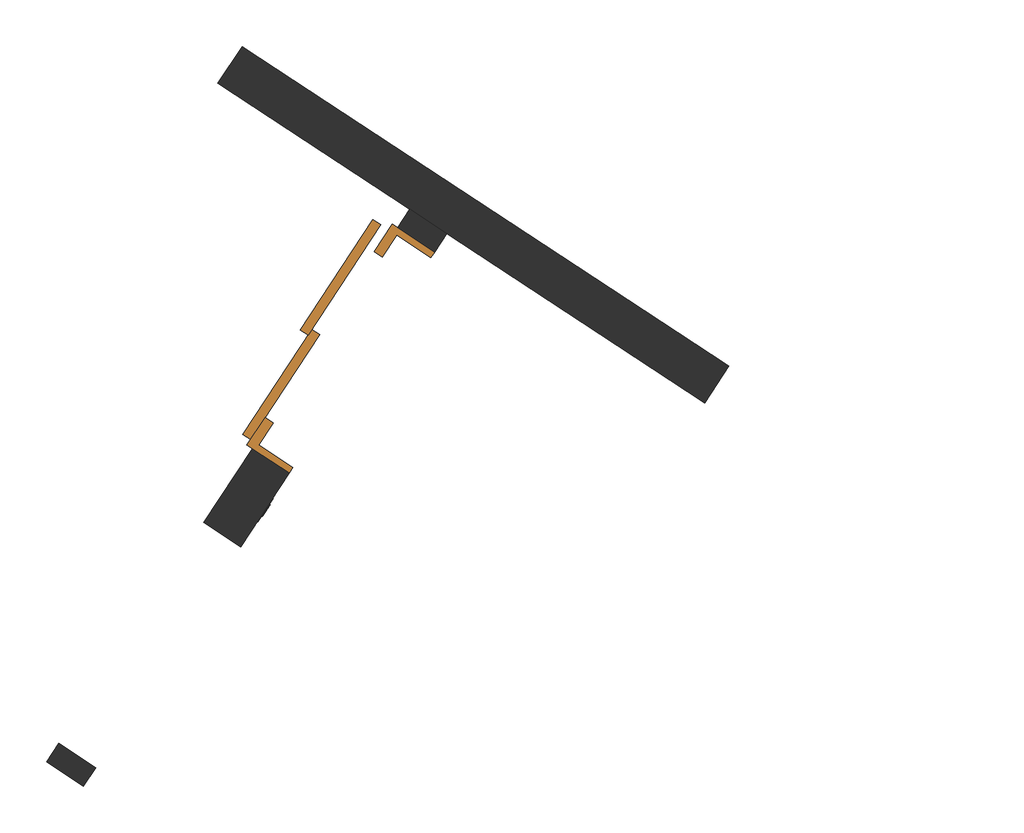
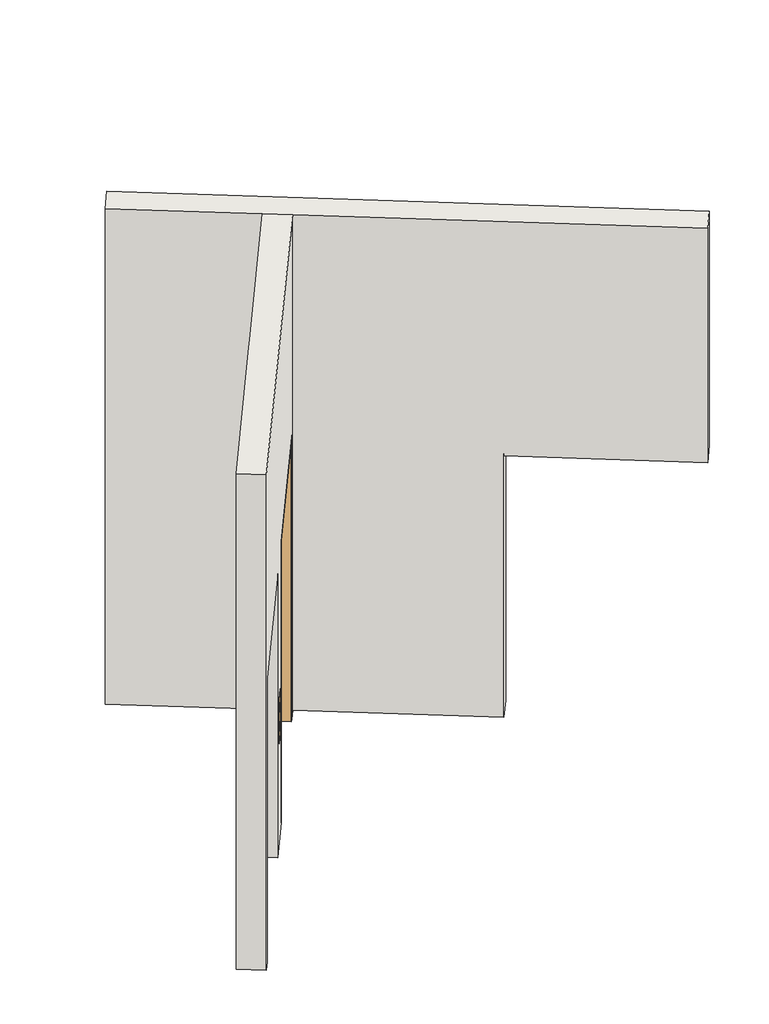
# One storey, part 16 of 18: 2 walls, 1 door.
"""IFC4 building model written with IfcOpenShell, lengths in millimetres."""

import ifcopenshell
import ifcopenshell.guid

model = None  # the IFC model being written
_history = None  # IfcOwnerHistory: only IFC2X3 demands one
_inside = {}  # id of a spatial element -> (the spatial element, [elements in it])
_under = {}  # id of a project, library or spatial element -> (it, [spatial elements below it])
_declared = {}  # id of a project -> (the project, [libraries it declares])
_typed = {}  # id of a type object -> (the type object, [elements of that type])
_made_of = {}  # id of a material, layer set ... -> (it, [elements and type objects made of it])


def new_model(schema):
    """Start an empty IFC model of exactly this schema.

    Asked for "IFC4X3", IfcOpenShell would pick the latest addendum, in which some entities
    have other attributes; the version numbers below select the first issue.
    IFC2X3 requires an IfcOwnerHistory on every rooted entity: one is made here for all.
    """
    global model, _history
    if schema == "IFC4X3":
        model = ifcopenshell.file(schema_version=(4, 3, 0, 0))
    else:
        model = ifcopenshell.file(schema=schema)
    _inside.clear()
    _under.clear()
    _declared.clear()
    _typed.clear()
    _made_of.clear()
    _history = None
    if model.schema == "IFC2X3":
        org = make("IfcOrganization", Name="unknown")
        user = make(
            "IfcPersonAndOrganization",
            ThePerson=make("IfcPerson", FamilyName="unknown"),
            TheOrganization=org,
        )
        app = make(
            "IfcApplication",
            ApplicationDeveloper=org,
            Version="unknown",
            ApplicationFullName="unknown",
            ApplicationIdentifier="unknown",
        )
        _history = make(
            "IfcOwnerHistory",
            OwningUser=user,
            OwningApplication=app,
            ChangeAction="ADDED",
            CreationDate=0,
        )
    return model


def make(cls, **values):
    """One entity of the class cls with the attributes given. An attribute that is None is left unset."""
    return model.create_entity(
        cls, **{name: value for name, value in values.items() if value is not None}
    )


def rooted(cls, **values):
    """An entity with a GlobalId (a new one), such as an element, a storey or a relation."""
    return make(cls, GlobalId=ifcopenshell.guid.new(), OwnerHistory=_history, **values)


def si_unit(unit_type, name, prefix=None):
    """IfcSIUnit, for example si_unit("LENGTHUNIT", "METRE", prefix="MILLI")."""
    return make("IfcSIUnit", UnitType=unit_type, Prefix=prefix, Name=name)


def assignment(units):
    """IfcUnitAssignment: the units of a project."""
    return None if units is None else make("IfcUnitAssignment", Units=units)


def point(xyz):
    """IfcCartesianPoint."""
    return None if xyz is None else make("IfcCartesianPoint", Coordinates=xyz)


def direction(xyz):
    """IfcDirection."""
    return None if xyz is None else make("IfcDirection", DirectionRatios=xyz)


def frame(location, z_axis=None, x_axis=None):
    """IfcAxis2Placement3D, a coordinate frame: its origin and axes. An axis left out is left unset."""
    return make(
        "IfcAxis2Placement3D",
        Location=point(location),
        Axis=direction(z_axis),
        RefDirection=direction(x_axis),
    )


def frame_2d(location, x_axis=None):
    """IfcAxis2Placement2D, a coordinate frame in the plane: its origin and x axis."""
    return make(
        "IfcAxis2Placement2D", Location=point(location), RefDirection=direction(x_axis)
    )


def origin():
    """The frame at (0, 0, 0) with its axes left unset."""
    return frame((0.0, 0.0, 0.0))


def origin_with_axes():
    """The frame at (0, 0, 0) with the z axis (0, 0, 1) and the x axis (1, 0, 0) written out."""
    return frame((0.0, 0.0, 0.0), z_axis=(0.0, 0.0, 1.0), x_axis=(1.0, 0.0, 0.0))


def place(relative_to, where):
    """IfcLocalPlacement: puts the frame where relative to a parent placement (None: the world)."""
    return make(
        "IfcLocalPlacement", PlacementRelTo=relative_to, RelativePlacement=where
    )


def context(
    kind, dimensions, precision=None, world=None, true_north=None, identifier=None
):
    """IfcGeometricRepresentationContext, for example the 3D "Model" context."""
    return make(
        "IfcGeometricRepresentationContext",
        ContextIdentifier=identifier,
        ContextType=kind,
        CoordinateSpaceDimension=dimensions,
        Precision=precision,
        WorldCoordinateSystem=world,
        TrueNorth=true_north,
    )


def project(units=None, contexts=None):
    """IfcProject with its units and contexts."""
    return rooted(
        "IfcProject",
        Name="project",
        RepresentationContexts=contexts,
        UnitsInContext=assignment(units),
    )


def spatial(cls, under=None, at=None, **own):
    """A site, building, storey or space (cls), placed at a placement, below another one or the project."""
    s = rooted(cls, ObjectPlacement=at, **own)
    if under is not None:
        _under.setdefault(under.id(), (under, []))[1].append(s)
    return s


def polyline(points):
    """IfcPolyline through the points."""
    return make("IfcPolyline", Points=[point(p) for p in points])


def circle_curve(where, radius):
    """IfcCircle in the frame where."""
    return make("IfcCircle", Position=where, Radius=radius)


def trimmed(basis, trim1, trim2, sense, master):
    """IfcTrimmedCurve: the piece of a basis curve between two trims."""
    return make(
        "IfcTrimmedCurve",
        BasisCurve=basis,
        Trim1=trim1,
        Trim2=trim2,
        SenseAgreement=sense,
        MasterRepresentation=master,
    )


def segment(curve, same_sense, transition):
    """IfcCompositeCurveSegment."""
    return make(
        "IfcCompositeCurveSegment",
        Transition=transition,
        SameSense=same_sense,
        ParentCurve=curve,
    )


def composite_curve(segments, self_intersect=None):
    """IfcCompositeCurve: segments joined end to end."""
    return make("IfcCompositeCurve", Segments=segments, SelfIntersect=self_intersect)


def outline(outer, holes=None, kind="AREA"):
    """IfcArbitraryClosedProfileDef: a profile drawn as a closed curve; with holes, ...WithVoids."""
    if holes is None:
        return make("IfcArbitraryClosedProfileDef", ProfileType=kind, OuterCurve=outer)
    return make(
        "IfcArbitraryProfileDefWithVoids",
        ProfileType=kind,
        OuterCurve=outer,
        InnerCurves=holes,
    )


def extrude(swept, where, along, depth):
    """IfcExtrudedAreaSolid: the profile swept, set in the frame where, extruded along a direction by depth."""
    return make(
        "IfcExtrudedAreaSolid",
        SweptArea=swept,
        Position=where,
        ExtrudedDirection=direction(along),
        Depth=depth,
    )


def faces_of(points, faces, orient=None, outer=None):
    """IfcFace entities. A face is a list of loops; a loop is a list of indices into points, from 0.

    orient and outer hold one flag for each loop. By default every Orientation is true, the
    first loop of a face is its IfcFaceOuterBound and the others are IfcFaceBound.
    """
    made = []
    for i, loops in enumerate(faces):
        bounds = []
        for j, loop in enumerate(loops):
            is_outer = j == 0 if outer is None else outer[i][j]
            bounds.append(
                make(
                    "IfcFaceOuterBound" if is_outer else "IfcFaceBound",
                    Bound=make("IfcPolyLoop", Polygon=[points[k] for k in loop]),
                    Orientation=True if orient is None else orient[i][j],
                )
            )
        made.append(make("IfcFace", Bounds=bounds))
    return made


def faceted_brep(points, faces, orient=None, outer=None, voids=None):
    """IfcFacetedBrep: a solid bounded by flat faces; with voids (closed shells), ...WithVoids."""
    shared = [point(p) for p in points]
    hull = make("IfcClosedShell", CfsFaces=faces_of(shared, faces, orient, outer))
    if voids is None:
        return make("IfcFacetedBrep", Outer=hull)
    return make(
        "IfcFacetedBrepWithVoids",
        Outer=hull,
        Voids=[
            make(cls, CfsFaces=faces_of(shared, fs, o, b)) for cls, fs, o, b in voids
        ],
    )


def shape(context_of_items, identifier, shape_type, items):
    """IfcShapeRepresentation: the items that make up one representation, for example the "Body"."""
    return make(
        "IfcShapeRepresentation",
        ContextOfItems=context_of_items,
        RepresentationIdentifier=identifier,
        RepresentationType=shape_type,
        Items=items,
    )


def source(mapping_origin, context_of_items, identifier, shape_type, items):
    """IfcRepresentationMap: a shape defined once, which mapped items show again and again."""
    return make(
        "IfcRepresentationMap",
        MappingOrigin=mapping_origin,
        MappedRepresentation=shape(context_of_items, identifier, shape_type, items),
    )


def transform(
    local_origin,
    x_axis=None,
    y_axis=None,
    z_axis=None,
    scale=None,
    scale2=None,
    scale3=None,
    uniform=True,
):
    """IfcCartesianTransformationOperator3D, or its non-uniform kind. x_axis, y_axis, z_axis: its Axis1, 2, 3."""
    if uniform:
        return make(
            "IfcCartesianTransformationOperator3D",
            Axis1=direction(x_axis),
            Axis2=direction(y_axis),
            LocalOrigin=point(local_origin),
            Scale=scale,
            Axis3=direction(z_axis),
        )
    return make(
        "IfcCartesianTransformationOperator3DnonUniform",
        Axis1=direction(x_axis),
        Axis2=direction(y_axis),
        LocalOrigin=point(local_origin),
        Scale=scale,
        Axis3=direction(z_axis),
        Scale2=scale2,
        Scale3=scale3,
    )


def mapped(mapping_source, mapping_target):
    """IfcMappedItem: shows the shape of a source again, moved by a transform."""
    return make(
        "IfcMappedItem", MappingSource=mapping_source, MappingTarget=mapping_target
    )


def made_of(thing, what):
    """Note that an element or type object is made of a material, layer set ...; save() writes the relation."""
    if what is not None:
        _made_of.setdefault(what.id(), (what, []))[1].append(thing)
    return thing


def element(
    cls,
    number,
    at=None,
    inside=None,
    cuts=None,
    type_object=None,
    material=None,
    context=None,
    identifier="Body",
    shape_type=None,
    held_by="IfcProductDefinitionShape",
    body=None,
    shapes=None,
    **own,
):
    """One element of the class cls, such as IfcWall. Its Tag is "e" and its number.

    at: its placement. inside: the storey or other place that contains it. cuts: it is an
    opening in that element (IfcRelVoidsElement). A single representation is given by context,
    identifier, shape_type and body (its items); several are given by shapes. held_by: the class
    of the entity that holds the representations. save() writes the other relations.
    """
    e = rooted(cls, Tag="e%d" % number, ObjectPlacement=at, **own)
    if body is not None:
        shapes = [shape(context, identifier, shape_type, body)]
    if shapes is not None:
        e.Representation = make(held_by, Representations=shapes)
    if inside is not None:
        _inside.setdefault(inside.id(), (inside, []))[1].append(e)
    if cuts is not None:
        rooted(
            "IfcRelVoidsElement", RelatingBuildingElement=cuts, RelatedOpeningElement=e
        )
    if type_object is not None:
        _typed.setdefault(type_object.id(), (type_object, []))[1].append(e)
    return made_of(e, material)


def aggregate(whole, parts):
    """IfcRelAggregates: a whole, such as a stair, and the parts it consists of."""
    return rooted("IfcRelAggregates", RelatingObject=whole, RelatedObjects=parts)


def save(model, path):
    """Write the relations noted so far, then the file.

    IfcRelAggregates (storeys below a building ...), IfcRelContainedInSpatialStructure (elements
    in a storey), IfcRelDefinesByType, IfcRelAssociatesMaterial and IfcRelDeclares: one each for
    every whole, place, type object, material and project.
    """
    for whole, parts in _under.values():
        aggregate(whole, parts)
    for where, things in _inside.values():
        rooted(
            "IfcRelContainedInSpatialStructure",
            RelatedElements=things,
            RelatingStructure=where,
        )
    for kind, things in _typed.values():
        rooted("IfcRelDefinesByType", RelatedObjects=things, RelatingType=kind)
    for what, things in _made_of.values():
        rooted("IfcRelAssociatesMaterial", RelatedObjects=things, RelatingMaterial=what)
    for by, libraries in _declared.values():
        rooted("IfcRelDeclares", RelatingContext=by, RelatedDefinitions=libraries)
    model.write(path)


def plane_surface(at):
    """IfcPlane: the flat surface through the origin of the frame at, square to its z axis."""
    return make("IfcPlane", Position=at)


def cylinder_surface(at, radius):
    """IfcCylindricalSurface: all points at the distance radius from the z axis of the frame at."""
    return make("IfcCylindricalSurface", Position=at, Radius=radius)


def revolved_surface(curve, axis_point, axis_direction):
    """IfcSurfaceOfRevolution: the curve turned about the line through axis_point along axis_direction."""
    return make(
        "IfcSurfaceOfRevolution",
        SweptCurve=make("IfcArbitraryOpenProfileDef", ProfileType="CURVE", Curve=curve),
        AxisPosition=make("IfcAxis1Placement", Location=point(axis_point), Axis=direction(axis_direction)),
    )


def advanced_brep(points, edges, surfaces, faces):
    """IfcAdvancedBrep: a solid bounded by faces that lie on surfaces and meet in shared edges.

    An edge is (start, end): straight between two places in points (the first is 0);
    or (start, end, curve); or (start, end, curve, False) where it runs against its curve.
    A face is (place in surfaces, loops), or (place, loops, False) where it looks against
    its surface's normal. A loop lists edges by number (the first is 1), with a minus sign
    where the edge is run from its end to its start. The first loop is the outer one.
    """
    corners = [point(p) for p in points]
    vertices = [make("IfcVertexPoint", VertexGeometry=c) for c in corners]
    made = []
    for start, end, *more in edges:
        made.append(
            make(
                "IfcEdgeCurve",
                EdgeStart=vertices[start],
                EdgeEnd=vertices[end],
                EdgeGeometry=more[0] if more else make("IfcPolyline", Points=[corners[start], corners[end]]),
                SameSense=more[1] if len(more) > 1 else True,
            )
        )
    hull = []
    for where, loops, *sense in faces:
        bounds = []
        for j, loop in enumerate(loops):
            ring = [make("IfcOrientedEdge", EdgeElement=made[abs(k) - 1], Orientation=k > 0) for k in loop]
            bounds.append(
                make(
                    "IfcFaceOuterBound" if j == 0 else "IfcFaceBound",
                    Bound=make("IfcEdgeLoop", EdgeList=ring),
                    Orientation=True,
                )
            )
        hull.append(make("IfcAdvancedFace", Bounds=bounds, FaceSurface=surfaces[where], SameSense=sense[0] if sense else True))
    return make("IfcAdvancedBrep", Outer=make("IfcClosedShell", CfsFaces=hull))


def side_opening_elevatorlift_door_with_call_buttons_9478_12000_64bb0ec5(model_context):
    return source(origin(), model_context, "Body", "SolidModel", [
        advanced_brep(
        [(-831.75, -106.35, 1076.2), (-768.25, -106.35, 1076.2), (-830.1625, -106.35, 1076.2), (-769.8375, -106.35, 1076.2), (-736.5, -100.0, 1177.8), (-736.5, -100.0, 822.2), (-863.5, -100.0, 822.2), (-863.5, -100.0, 1177.8), (-831.75, -103.175, 1076.2), (-768.25, -103.175, 1076.2), (-830.1625, -103.175, 1076.2), (-769.8375, -103.175, 1076.2), (-736.5, -103.175, 1177.8), (-863.5, -103.175, 1177.8), (-863.5, -103.175, 822.2), (-736.5, -103.175, 822.2), (-768.25, -103.175, 923.8), (-831.75, -103.175, 923.8), (-769.8375, -103.175, 923.8), (-830.1625, -103.175, 923.8), (-831.75, -106.35, 923.8), (-768.25, -106.35, 923.8), (-830.1625, -106.35, 923.8), (-769.8375, -106.35, 923.8)],
        [
            (0, 1, circle_curve(frame((-800.0, -106.35, 1076.2), z_axis=(0.0, -1.0, 0.0), x_axis=(1.0, 0.0, 0.0)), 31.75)),
            (1, 0, circle_curve(frame((-800.0, -106.35, 1076.2), z_axis=(0.0, -1.0, 0.0), x_axis=(1.0, 0.0, 0.0)), 31.75)),
            (2, 3, circle_curve(frame((-800.0, -106.35, 1076.2), z_axis=(0.0, 1.0, 0.0), x_axis=(1.0, 0.0, 0.0)), 30.1625)),
            (3, 2, circle_curve(frame((-800.0, -106.35, 1076.2), z_axis=(0.0, 1.0, 0.0), x_axis=(1.0, 0.0, 0.0)), 30.1625)),
            (4, 5),
            (5, 6),
            (6, 7),
            (7, 4),
            (0, 8),
            (8, 9, circle_curve(frame((-800.0, -103.175, 1076.2), z_axis=(0.0, -1.0, 0.0), x_axis=(1.0, 0.0, 0.0)), 31.75)),
            (9, 1),
            (9, 8, circle_curve(frame((-800.0, -103.175, 1076.2), z_axis=(0.0, -1.0, 0.0), x_axis=(1.0, 0.0, 0.0)), 31.75)),
            (2, 10),
            (10, 11, circle_curve(frame((-800.0, -103.175, 1076.2), z_axis=(0.0, 1.0, 0.0), x_axis=(1.0, 0.0, 0.0)), 30.1625)),
            (11, 3),
            (11, 10, circle_curve(frame((-800.0, -103.175, 1076.2), z_axis=(0.0, 1.0, 0.0), x_axis=(1.0, 0.0, 0.0)), 30.1625)),
            (12, 13),
            (13, 14),
            (14, 15),
            (15, 12),
            (16, 17, circle_curve(frame((-800.0, -103.175, 923.8), z_axis=(0.0, 1.0, 0.0), x_axis=(1.0, 0.0, 0.0)), 31.75)),
            (17, 16, circle_curve(frame((-800.0, -103.175, 923.8), z_axis=(0.0, 1.0, 0.0), x_axis=(1.0, 0.0, 0.0)), 31.75)),
            (18, 19, circle_curve(frame((-800.0, -103.175, 923.8), z_axis=(0.0, -1.0, 0.0), x_axis=(1.0, 0.0, 0.0)), 30.1625)),
            (19, 18, circle_curve(frame((-800.0, -103.175, 923.8), z_axis=(0.0, -1.0, 0.0), x_axis=(1.0, 0.0, 0.0)), 30.1625)),
            (12, 4),
            (7, 13),
            (6, 14),
            (5, 15),
            (20, 21, circle_curve(frame((-800.0, -106.35, 923.8), z_axis=(0.0, -1.0, 0.0), x_axis=(1.0, 0.0, 0.0)), 31.75)),
            (21, 20, circle_curve(frame((-800.0, -106.35, 923.8), z_axis=(0.0, -1.0, 0.0), x_axis=(1.0, 0.0, 0.0)), 31.75)),
            (22, 23, circle_curve(frame((-800.0, -106.35, 923.8), z_axis=(0.0, 1.0, 0.0), x_axis=(1.0, 0.0, 0.0)), 30.1625)),
            (23, 22, circle_curve(frame((-800.0, -106.35, 923.8), z_axis=(0.0, 1.0, 0.0), x_axis=(1.0, 0.0, 0.0)), 30.1625)),
            (20, 17),
            (16, 21),
            (22, 19),
            (18, 23),
        ],
        [
            plane_surface(frame((-768.25, -106.35, 1076.2), z_axis=(0.0, -1.0, 0.0), x_axis=(0.0, 0.0, 1.0))),
            plane_surface(frame((-768.25, -100.0, 1076.2), z_axis=(0.0, 1.0, 0.0), x_axis=(0.0, 0.0, -1.0))),
            cylinder_surface(frame((-800.0, -100.0, 1076.2), z_axis=(0.0, -1.0, 0.0), x_axis=(1.0, 0.0, 0.0)), 31.75),
            revolved_surface(polyline([(-769.8375, -103.175, 1076.2), (-769.8375, -106.35, 1076.2)]), (-800.0, -100.0, 1076.2), (0.0, 1.0, 0.0)),
            plane_surface(frame((-863.5, -103.175, 1177.8), z_axis=(0.0, -1.0, 0.0), x_axis=(-1.0, 0.0, 0.0))),
            plane_surface(frame((-736.5, -103.175, 1177.8), z_axis=(0.0, 0.0, 1.0), x_axis=(0.0, 1.0, 0.0))),
            plane_surface(frame((-863.5, -103.175, 1177.8), z_axis=(-1.0, 0.0, 0.0), x_axis=(0.0, 1.0, 0.0))),
            plane_surface(frame((-863.5, -103.175, 822.2), z_axis=(0.0, 0.0, -1.0), x_axis=(0.0, 1.0, 0.0))),
            plane_surface(frame((-736.5, -103.175, 822.2), z_axis=(1.0, 0.0, 0.0), x_axis=(0.0, 1.0, 0.0))),
            plane_surface(frame((-768.25, -106.35, 923.8), z_axis=(0.0, -1.0, 0.0), x_axis=(0.0, 0.0, 1.0))),
            cylinder_surface(frame((-800.0, -100.0, 923.8), z_axis=(0.0, -1.0, 0.0), x_axis=(1.0, 0.0, 0.0)), 31.75),
            revolved_surface(polyline([(-769.8375, -103.175, 923.8), (-769.8375, -106.35, 923.8)]), (-800.0, -100.0, 923.8), (0.0, 1.0, 0.0)),
        ],
        [
            (0, [[1, 2], [3, 4]]),
            (1, [[5, 6, 7, 8]]),
            (2, [[-1, 9, 10, 11]]),
            (2, [[-2, -11, 12, -9]]),
            (3, [[-3, 13, 14, 15]]),
            (3, [[-4, -15, 16, -13]]),
            (4, [[-14, -16]]),
            (4, [[17, 18, 19, 20], [-10, -12], [21, 22]]),
            (4, [[23, 24]]),
            (5, [[-17, 25, -8, 26]]),
            (6, [[-18, -26, -7, 27]]),
            (7, [[-19, -27, -6, 28]]),
            (8, [[-20, -28, -5, -25]]),
            (9, [[29, 30], [31, 32]]),
            (10, [[-29, 33, -21, 34]]),
            (10, [[-30, -34, -22, -33]]),
            (11, [[-31, 35, -23, 36]]),
            (11, [[-32, -36, -24, -35]]),
        ],
    ),
        extrude(outline(composite_curve([segment(trimmed(circle_curve(frame_2d((1076.2, -800.0)), 30.1625), [point((1076.2, -830.1625))], [point((1076.2, -769.8375))], False, "CARTESIAN"), True, "CONTINUOUS"), segment(trimmed(circle_curve(frame_2d((1076.2, -800.0)), 30.1625), [point((1076.2, -769.8375))], [point((1076.2, -830.1625))], False, "CARTESIAN"), True, "CONTINUOUS")], self_intersect=False)), frame((0.0, -104.7625, 0.0), z_axis=(0.0, 1.0, 0.0), x_axis=(0.0, 0.0, 1.0)), (0.0, 0.0, 1.0), 4.7625),
        extrude(outline(composite_curve([segment(trimmed(circle_curve(frame_2d((923.8, -800.0)), 30.1625), [point((923.8, -830.1625))], [point((923.8, -769.8375))], False, "CARTESIAN"), True, "CONTINUOUS"), segment(trimmed(circle_curve(frame_2d((923.8, -800.0)), 30.1625), [point((923.8, -769.8375))], [point((923.8, -830.1625))], False, "CARTESIAN"), True, "CONTINUOUS")], self_intersect=False)), frame((0.0, -104.7625, 0.0), z_axis=(0.0, 1.0, 0.0), x_axis=(0.0, 0.0, 1.0)), (0.0, 0.0, 1.0), 4.7625),
        faceted_brep([(-600.0, -100.0, 0.0), (-600.0, 130.0, 0.0), (-450.0, 130.0, 0.0), (-450.0, 85.0, 0.0), (-570.0, 85.0, 0.0), (-570.0, -100.0, 0.0), (-600.0, -100.0, 2290.0), (-600.0, 130.0, 2290.0), (600.0, 130.0, 2290.0), (600.0, 130.0, 0.0), (450.0, 130.0, 0.0), (450.0, 130.0, 2140.0), (-450.0, 130.0, 2140.0), (-450.0, 85.0, 2140.0), (450.0, 85.0, 2140.0), (450.0, 85.0, 0.0), (570.0, 85.0, 0.0), (570.0, 85.0, 2260.0), (-570.0, 85.0, 2260.0), (-570.0, -100.0, 2260.0), (570.0, -100.0, 2260.0), (570.0, -100.0, 0.0), (600.0, -100.0, 0.0), (600.0, -100.0, 2290.0)], [[[0, 1, 2, 3, 4, 5]], [[1, 0, 6, 7]], [[2, 1, 7, 8, 9, 10, 11, 12]], [[3, 2, 12, 13]], [[4, 3, 13, 14, 15, 16, 17, 18]], [[5, 4, 18, 19]], [[0, 5, 19, 20, 21, 22, 23, 6]], [[8, 23, 22, 9]], [[22, 21, 16, 15, 10, 9]], [[14, 11, 10, 15]], [[20, 17, 16, 21]], [[7, 6, 23, 8]], [[13, 12, 11, 14]], [[19, 18, 17, 20]]]),
        extrude(outline(polyline([(570.0, 215.0), (570.0, 172.5), (-30.0, 172.5), (-30.0, 215.0), (570.0, 215.0)])), origin_with_axes(), (0.0, 0.0, 1.0), 2260.0),
        extrude(outline(polyline([(0.0, 172.5), (0.0, 130.0), (-570.0, 130.0), (-570.0, 172.5), (0.0, 172.5)])), origin_with_axes(), (0.0, 0.0, 1.0), 2260.0),
    ])


model = new_model("IFC4")

# Units and contexts
model_context = context("Model", 3, world=origin())
ifc_project = project(units=[si_unit("LENGTHUNIT", "METRE", prefix="MILLI")], contexts=[model_context])

# Site, building, storey
site = spatial("IfcSite", under=ifc_project)
building = spatial("IfcBuilding", under=site)
storey = spatial("IfcBuildingStorey", under=building, Elevation=12680.0)

# Door
placement = place(None, origin())
side_opening_elevatorlift_door_with_call_buttons_9478_12000_shape = side_opening_elevatorlift_door_with_call_buttons_9478_12000_64bb0ec5(model_context)
element("IfcDoor", 1, ObjectType="Side_opening_ElevatorLift_Door_with_Call_buttons_9478 : 12000 x 2290 Opening", at=placement, inside=storey, context=model_context, shape_type="MappedRepresentation", body=[
    mapped(side_opening_elevatorlift_door_with_call_buttons_9478_12000_shape, transform((-242454.1604711, 65291.1200962, 12680.0), x_axis=(0.5490994800208283, 0.8357569987986078, 0.0), y_axis=(-0.8357569987986078, 0.5490994800208283, 0.0), z_axis=(0.0, 0.0, 1.0))),
])

# Walls
element("IfcWall", 2, ObjectType="Generic - 200mm", at=placement, inside=storey, context=model_context, shape_type="Brep", body=[
    faceted_brep([(-239689.1209587, 64312.0295714, 16680.0), (-241986.2151352, 65821.2400473, 16680.0), (-242153.3665349, 65931.0599433, 16680.0), (-243023.8319847, 66502.9631718, 16680.0), (-243023.8319847, 66502.9631718, 12680.0), (-242153.3665349, 65931.0599433, 12680.0), (-241986.2151352, 65821.2400473, 12680.0), (-240816.1553368, 65052.5007753, 12680.0), (-240816.1553368, 65052.5007753, 14790.0), (-239689.1209587, 64312.0295714, 14790.0), (-242913.7581811, 66669.9477521, 16680.0), (-239579.3010627, 64479.1809712, 16680.0), (-239579.3010627, 64479.1809712, 14790.0), (-240706.3354408, 65219.652175, 14790.0), (-240706.3354408, 65219.652175, 12680.0), (-242913.7581811, 66669.9477521, 12680.0)], [[[0, 1, 2, 3, 4, 5, 6, 7, 8, 9]], [[10, 11, 12, 13, 14, 15]], [[4, 15, 14, 7, 6, 5]], [[11, 0, 9, 12]], [[3, 2, 1, 0, 11, 10]], [[13, 8, 7, 14]], [[8, 13, 12, 9]], [[4, 3, 10, 15]]]),
])
element("IfcWall", 3, ObjectType="Generic - 200mm - Filled", at=placement, inside=storey, context=model_context, shape_type="Brep", body=[
    faceted_brep([(-242153.3665349, 65931.0599433, 12680.0), (-242208.2764829, 65847.4842434, 12680.0), (-242208.2764829, 65847.4842434, 14970.0), (-242867.195859, 64844.5758449, 14970.0), (-242867.195859, 64844.5758449, 12680.0), (-242922.105807, 64761.000145, 12680.0), (-243031.925703, 64593.8487452, 12680.0), (-243086.835651, 64510.2730454, 12680.0), (-243086.835651, 64510.2730454, 14970.0), (-243745.755027, 63507.3646468, 14970.0), (-243745.755027, 63507.3646468, 12680.0), (-243800.664975, 63423.7889469, 12680.0), (-243800.664975, 63423.7889469, 16680.0), (-243031.925703, 64593.8487452, 16680.0), (-242922.105807, 64761.000145, 16680.0), (-242153.3665349, 65931.0599433, 16680.0), (-242041.1250832, 65737.6643474, 14970.0), (-242041.1250832, 65737.6643474, 12680.0), (-241986.2151352, 65821.2400473, 12680.0), (-241986.2151352, 65821.2400473, 16680.0), (-243633.5135752, 63313.9690509, 16680.0), (-243633.5135752, 63313.9690509, 12680.0), (-243578.6036272, 63397.5447508, 12680.0), (-243578.6036272, 63397.5447508, 14970.0), (-242919.6842512, 64400.4531494, 14970.0), (-242919.6842512, 64400.4531494, 12680.0), (-242700.0444592, 64734.7559489, 12680.0), (-242700.0444592, 64734.7559489, 14970.0)], [[[0, 1, 2, 3, 4, 5, 6, 7, 8, 9, 10, 11, 12, 13, 14, 15]], [[16, 17, 18, 19, 20, 21, 22, 23, 24, 25, 26, 27]], [[22, 21, 11, 10]], [[26, 25, 7, 6, 5, 4]], [[18, 17, 1, 0]], [[15, 14, 13, 12, 20, 19]], [[12, 11, 21, 20]], [[0, 15, 19, 18]], [[8, 7, 25, 24]], [[9, 8, 24, 23]], [[10, 9, 23, 22]], [[2, 1, 17, 16]], [[3, 2, 16, 27]], [[4, 3, 27, 26]]]),
])

save(model, "model.ifc")
